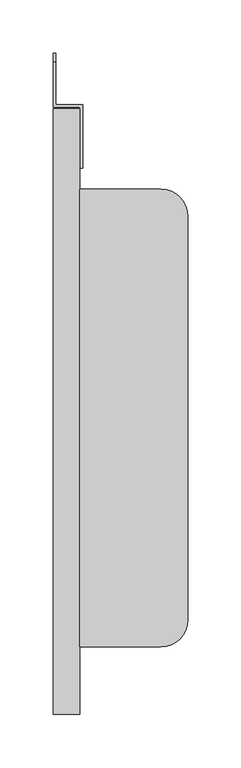
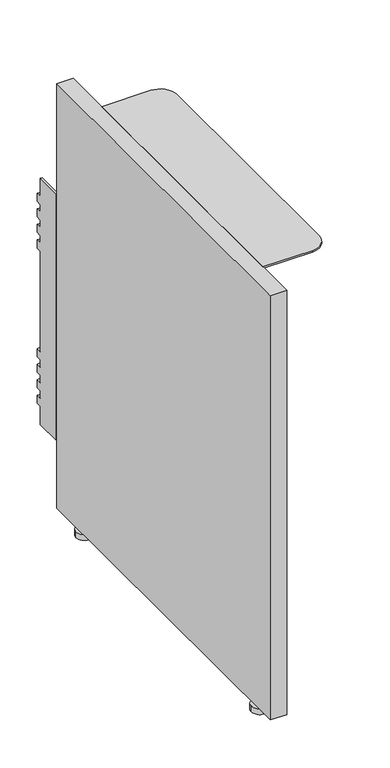
"""IFC4 building model written with IfcOpenShell, lengths in millimetres: furniture geometry."""

from ifc_helpers import new_model, si_unit, point, frame, frame_2d, origin, origin_with_axes, place, context, project, spatial, polyline, circle_curve, trimmed, segment, composite_curve, outline, extrude, faceted_brep, source, transform, mapped, element, save
from ifc_brep_helpers import plane_surface, cylinder_surface, advanced_brep


def furniture_96db114d(model_context):
    return source(origin(), model_context, "Body", "SolidModel", [
        extrude(outline(composite_curve([segment(trimmed(circle_curve(frame_2d((0.0, 233.045)), 5.5348001), [point((5.5348001, 233.045))], [point((-5.5348001, 233.045))], False, "CARTESIAN"), True, "CONTINUOUS"), segment(trimmed(circle_curve(frame_2d((0.0, 233.045)), 5.5348001), [point((-5.5348001, 233.045))], [point((5.5348001, 233.045))], False, "CARTESIAN"), True, "CONTINUOUS")], self_intersect=False)), frame((0.0, 0.0, 9.5504), z_axis=(0.0, 0.0, 1.0), x_axis=(1.0, 0.0, 0.0)), (0.0, 0.0, 1.0), 7.9248),
        extrude(outline(composite_curve([segment(trimmed(circle_curve(frame_2d((0.0, -236.820439)), 5.5860631), [point((5.5860631, -236.820439))], [point((-5.5860631, -236.820439))], False, "CARTESIAN"), True, "CONTINUOUS"), segment(trimmed(circle_curve(frame_2d((0.0, -236.820439)), 5.5860631), [point((-5.5860631, -236.820439))], [point((5.5860631, -236.820439))], False, "CARTESIAN"), True, "CONTINUOUS")], self_intersect=False)), frame((0.0, 0.0, 9.5504), z_axis=(0.0, 0.0, 1.0), x_axis=(1.0, 0.0, 0.0)), (0.0, 0.0, 1.0), 7.9248),
        extrude(outline(composite_curve([segment(trimmed(circle_curve(frame_2d((0.0, 233.045)), 12.7), [point((12.7, 233.045))], [point((-12.7, 233.045))], False, "CARTESIAN"), True, "CONTINUOUS"), segment(trimmed(circle_curve(frame_2d((0.0, 233.045)), 12.7), [point((-12.7, 233.045))], [point((12.7, 233.045))], False, "CARTESIAN"), True, "CONTINUOUS")], self_intersect=False)), origin_with_axes(), (0.0, 0.0, 1.0), 9.5504),
        extrude(outline(composite_curve([segment(trimmed(circle_curve(frame_2d((0.0, -236.820439)), 12.7), [point((12.7, -236.820439))], [point((-12.7, -236.820439))], False, "CARTESIAN"), True, "CONTINUOUS"), segment(trimmed(circle_curve(frame_2d((0.0, -236.820439)), 12.7), [point((-12.7, -236.820439))], [point((12.7, -236.820439))], False, "CARTESIAN"), True, "CONTINUOUS")], self_intersect=False)), origin_with_axes(), (0.0, 0.0, 1.0), 9.5504),
        faceted_brep([(-10.033, 287.655, 127.5715), (15.367, 287.655, 127.5715), (15.367, 227.838, 127.5715), (12.7, 227.838, 127.5715), (12.7, 284.988, 127.5715), (-12.7, 284.988, 127.5715), (-12.7, 327.7362, 127.5715), (-10.033, 327.7362, 127.5715), (-12.7, 284.988, 530.2377), (12.7, 284.988, 530.2377), (12.7, 227.838, 530.2377), (15.367, 227.838, 530.2377), (15.367, 287.655, 530.2377), (-10.033, 287.655, 530.2377), (-10.033, 327.7362, 530.2377), (-12.7, 327.7362, 530.2377), (-10.033, 327.7362, 157.0866461), (-10.033, 336.1944, 157.0866461), (-10.033, 336.1944, 170.5329376), (-10.033, 327.7362, 170.5329376), (-10.033, 327.7362, 182.4866461), (-10.033, 336.1944, 182.4866461), (-10.033, 336.1944, 195.9329376), (-10.033, 327.7362, 195.9329376), (-10.033, 327.7362, 207.8866461), (-10.033, 336.1944, 207.8866461), (-10.033, 336.1944, 221.3329376), (-10.033, 327.7362, 221.3329376), (-10.033, 327.7362, 233.2866461), (-10.033, 336.1944, 233.2866461), (-10.033, 336.1944, 246.7329376), (-10.033, 327.7362, 246.7329376), (-10.033, 327.7362, 411.0762624), (-10.033, 336.1944, 411.0762624), (-10.033, 336.1944, 424.5225539), (-10.033, 327.7362, 424.5225539), (-10.033, 327.7362, 436.4762624), (-10.033, 336.1944, 436.4762624), (-10.033, 336.1944, 449.9225539), (-10.033, 327.7362, 449.9225539), (-10.033, 327.7362, 461.8762624), (-10.033, 336.1944, 461.8762624), (-10.033, 336.1944, 475.3225539), (-10.033, 327.7362, 475.3225539), (-10.033, 327.7362, 487.2762624), (-10.033, 336.1944, 487.2762624), (-10.033, 336.1944, 500.7225539), (-10.033, 327.7362, 500.7225539), (-12.7, 327.7362, 500.7225539), (-12.7, 336.1944, 500.7225539), (-12.7, 336.1944, 487.2762624), (-12.7, 327.7362, 487.2762624), (-12.7, 327.7362, 475.3225539), (-12.7, 336.1944, 475.3225539), (-12.7, 336.1944, 461.8762624), (-12.7, 327.7362, 461.8762624), (-12.7, 327.7362, 449.9225539), (-12.7, 336.1944, 449.9225539), (-12.7, 336.1944, 436.4762624), (-12.7, 327.7362, 436.4762624), (-12.7, 327.7362, 424.5225539), (-12.7, 336.1944, 424.5225539), (-12.7, 336.1944, 411.0762624), (-12.7, 327.7362, 411.0762624), (-12.7, 327.7362, 246.7329376), (-12.7, 336.1944, 246.7329376), (-12.7, 336.1944, 233.2866461), (-12.7, 327.7362, 233.2866461), (-12.7, 327.7362, 221.3329376), (-12.7, 336.1944, 221.3329376), (-12.7, 336.1944, 207.8866461), (-12.7, 327.7362, 207.8866461), (-12.7, 327.7362, 195.9329376), (-12.7, 336.1944, 195.9329376), (-12.7, 336.1944, 182.4866461), (-12.7, 327.7362, 182.4866461), (-12.7, 327.7362, 170.5329376), (-12.7, 336.1944, 170.5329376), (-12.7, 336.1944, 157.0866461), (-12.7, 327.7362, 157.0866461)], [[[0, 1, 2, 3, 4, 5, 6, 7]], [[8, 9, 10, 11, 12, 13, 14, 15]], [[13, 0, 7, 16, 17, 18, 19, 20, 21, 22, 23, 24, 25, 26, 27, 28, 29, 30, 31, 32, 33, 34, 35, 36, 37, 38, 39, 40, 41, 42, 43, 44, 45, 46, 47, 14]], [[1, 0, 13, 12]], [[2, 1, 12, 11]], [[3, 2, 11, 10]], [[4, 3, 10, 9]], [[5, 4, 9, 8]], [[5, 8, 15, 48, 49, 50, 51, 52, 53, 54, 55, 56, 57, 58, 59, 60, 61, 62, 63, 64, 65, 66, 67, 68, 69, 70, 71, 72, 73, 74, 75, 76, 77, 78, 79, 6]], [[18, 17, 78, 77]], [[22, 21, 74, 73]], [[26, 25, 70, 69]], [[30, 29, 66, 65]], [[34, 33, 62, 61]], [[38, 37, 58, 57]], [[42, 41, 54, 53]], [[46, 45, 50, 49]], [[47, 48, 15, 14]], [[79, 16, 7, 6]], [[16, 79, 78, 17]], [[76, 19, 18, 77]], [[19, 76, 75, 20]], [[20, 75, 74, 21]], [[72, 23, 22, 73]], [[23, 72, 71, 24]], [[24, 71, 70, 25]], [[68, 27, 26, 69]], [[27, 68, 67, 28]], [[28, 67, 66, 29]], [[64, 31, 30, 65]], [[31, 64, 63, 32]], [[32, 63, 62, 33]], [[60, 35, 34, 61]], [[35, 60, 59, 36]], [[36, 59, 58, 37]], [[56, 39, 38, 57]], [[39, 56, 55, 40]], [[40, 55, 54, 41]], [[52, 43, 42, 53]], [[43, 52, 51, 44]], [[44, 51, 50, 45]], [[48, 47, 46, 49]]]),
        advanced_brep(
        [(15.367, 207.645, 660.4), (12.7, 207.645, 660.4), (12.7, 207.645, 711.2), (88.9, 207.645, 711.2), (88.9, 207.645, 708.533), (15.367, 207.645, 708.533), (15.367, -224.155, 660.4), (15.367, -224.155, 708.533), (88.9, -224.155, 708.533), (88.9, -224.155, 711.2), (12.7, -224.155, 711.2), (12.7, -224.155, 660.4), (114.3, -198.755, 711.2), (114.3, 182.245, 711.2), (114.3, -198.755, 708.533), (114.3, 182.245, 708.533)],
        [
            (0, 1),
            (1, 2),
            (2, 3),
            (3, 4),
            (4, 5),
            (5, 0),
            (6, 7),
            (7, 8),
            (8, 9),
            (9, 10),
            (10, 11),
            (11, 6),
            (0, 6),
            (11, 1),
            (10, 2),
            (9, 12, circle_curve(frame((88.9, -198.755, 711.2), z_axis=(-2.127981623859005e-12, 0.0, 1.0), x_axis=(0.0, -1.0, 0.0)), 25.4)),
            (12, 13),
            (13, 3, circle_curve(frame((88.9, 182.245, 711.2), z_axis=(-2.127981623859005e-12, 0.0, 1.0), x_axis=(0.0, -1.0, 0.0)), 25.4)),
            (12, 14),
            (14, 15),
            (15, 13),
            (7, 5),
            (4, 15, circle_curve(frame((88.9, 182.245, 708.533), z_axis=(2.127981623859005e-12, 0.0, -1.0), x_axis=(0.0, -1.0, 0.0)), 25.4)),
            (14, 8, circle_curve(frame((88.9, -198.755, 708.533), z_axis=(2.127981623859005e-12, 0.0, -1.0), x_axis=(0.0, -1.0, 0.0)), 25.4)),
        ],
        [
            plane_surface(frame((0.0, 207.645, 0.0), z_axis=(0.0, 1.0, 0.0), x_axis=(0.0, 0.0, 1.0))),
            plane_surface(frame((0.0, -224.155, 0.0), z_axis=(0.0, -1.0, 0.0), x_axis=(0.0, 0.0, 1.0))),
            plane_surface(frame((15.367, 207.645, 660.4), z_axis=(0.0, 0.0, -1.0), x_axis=(0.0, -1.0, 0.0))),
            plane_surface(frame((12.7, 207.645, 660.4), z_axis=(-1.0, 0.0, 0.0), x_axis=(0.0, -1.0, 0.0))),
            plane_surface(frame((12.7, 207.645, 711.2), z_axis=(0.0, 0.0, 1.0), x_axis=(0.0, -1.0, 0.0))),
            plane_surface(frame((114.3, 207.645, 711.2), z_axis=(1.0, 0.0, 0.0), x_axis=(0.0, -1.0, 0.0))),
            plane_surface(frame((114.3, 207.645, 708.533), z_axis=(0.0, 0.0, -1.0), x_axis=(0.0, -1.0, 0.0))),
            plane_surface(frame((15.367, 207.645, 708.533), z_axis=(1.0, 0.0, 0.0), x_axis=(0.0, -1.0, 0.0))),
            cylinder_surface(frame((88.9, 182.245, 711.2), z_axis=(2.127981623859005e-12, 0.0, -1.0), x_axis=(0.0, -1.0, 0.0)), 25.4),
            cylinder_surface(frame((88.9, -198.755, 711.2), z_axis=(2.127981623859005e-12, 0.0, -1.0), x_axis=(0.0, -1.0, 0.0)), 25.4),
        ],
        [
            (0, [[1, 2, 3, 4, 5, 6]]),
            (1, [[7, 8, 9, 10, 11, 12]]),
            (2, [[-1, 13, -12, 14]]),
            (3, [[-2, -14, -11, 15]]),
            (4, [[-15, -10, 16, 17, 18, -3]]),
            (5, [[-17, 19, 20, 21]]),
            (6, [[22, -5, 23, -20, 24, -8]]),
            (7, [[-6, -22, -7, -13]]),
            (8, [[-4, -18, -21, -23]]),
            (9, [[-9, -24, -19, -16]]),
        ],
    ),
        extrude(outline(polyline([(12.7, 283.845), (12.7, -287.655), (-12.7, -287.655), (-12.7, 283.845), (12.7, 283.845)])), frame((0.0, 0.0, 17.4752), z_axis=(0.0, 0.0, 1.0), x_axis=(1.0, 0.0, 0.0)), (0.0, 0.0, 1.0), 693.7248),
    ])


if __name__ == "__main__":
    model = new_model("IFC4")
    model_context = context("Model", 3, world=origin())
    ifc_project = project(units=[si_unit("LENGTHUNIT", "METRE", prefix="MILLI")], contexts=[model_context])
    site = spatial("IfcSite", under=ifc_project)
    building = spatial("IfcBuilding", under=site)
    placement = place(None, origin())
    furniture_shape = furniture_96db114d(model_context)
    element("IfcFurniture", 1, at=placement, inside=building, context=model_context, shape_type="MappedRepresentation", body=[
        mapped(furniture_shape, transform((0.0, 0.0, 0.0), x_axis=(1.0, 0.0, 0.0), y_axis=(0.0, 1.0, 0.0), z_axis=(0.0, 0.0, 1.0))),
    ])
    save(model, "model.ifc")
